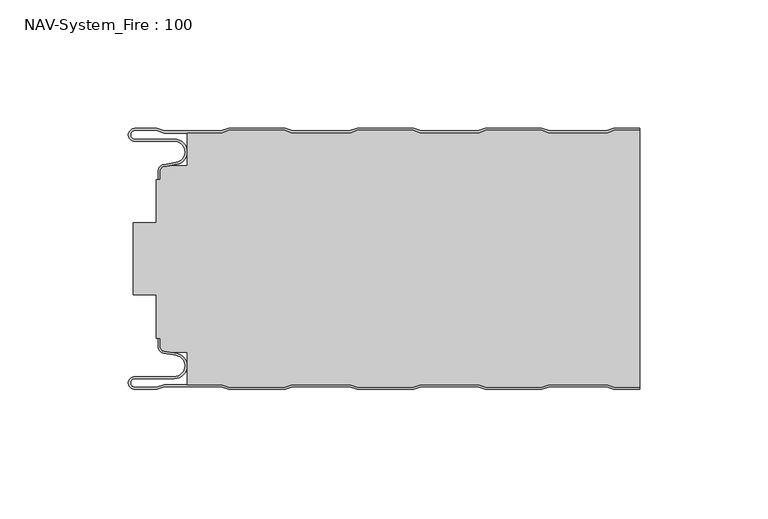
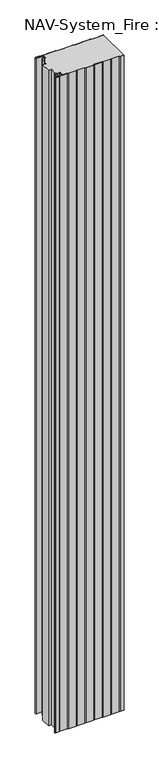
"""IFC4 building model written with IfcOpenShell, lengths in millimetres: plate geometry, NAV-System_Fire : 100."""

from ifc_helpers import new_model, si_unit, point, frame, frame_2d, origin, origin_with_axes, place, context, project, spatial, polyline, circle_curve, trimmed, segment, composite_curve, outline, extrude, source, transform, mapped, element, save
from ifc_brep_helpers import plane_surface, cylinder_surface, revolved_surface, advanced_brep


def nav_system_fire_100_97324878(model_context):
    return source(origin(), model_context, "Body", "SolidModel", [
        extrude(outline(composite_curve([segment(polyline([(89.6298221, -100.8), (86.6298221, -99.8), (64.3701779, -99.8), (61.3701779, -100.8), (39.6298221, -100.8), (36.6298221, -99.8), (14.3701779, -99.8), (11.3701779, -100.8), (-10.3701779, -100.8), (-13.3701779, -99.8), (-35.6298221, -99.8), (-38.6298221, -100.8), (-60.3701779, -100.8), (-63.3701779, -99.8), (-76.6602086, -99.8), (-76.6602086, -87.1656781), (-83.1774762, -87.1656781), (-85.6125665, -86.7363058)]), True, "CONTINUOUS"), segment(trimmed(circle_curve(frame_2d((-85.2999995, -84.963651)), 1.8000009), [point((-85.6125665, -86.7363058))], [point((-87.1000004, -84.963651))], False, "CARTESIAN"), True, "CONTINUOUS"), segment(polyline([(-87.1000004, -84.963651), (-87.1000004, -81.6488001), (-88.6500495, -81.6488001), (-88.6500495, -64.8), (-97.6527105, -64.8), (-97.6527105, -36.8), (-88.6502227, -36.8), (-88.6502227, -19.9512003), (-87.1000004, -19.9512003), (-87.1000004, -16.6387681)]), True, "CONTINUOUS"), segment(trimmed(circle_curve(frame_2d((-85.2999995, -16.6387681)), 1.8000009), [point((-87.1000004, -16.6387681))], [point((-85.6125665, -14.8661133))], False, "CARTESIAN"), True, "CONTINUOUS"), segment(polyline([(-85.6125665, -14.8661133), (-83.1774762, -14.436741), (-76.6602086, -14.436741), (-76.6602086, -1.8), (-63.3701779, -1.8), (-60.3701779, -0.8), (-38.6298221, -0.8), (-35.6298221, -1.8), (-13.3701779, -1.8), (-10.3701779, -0.8), (11.3701779, -0.8), (14.3701779, -1.8), (36.6298221, -1.8), (39.6298221, -0.8), (61.3701779, -0.8), (64.3701779, -1.8), (86.6298221, -1.8), (89.6298221, -0.8), (99.5, -0.8), (99.5, -100.8), (89.6298221, -100.8)]), True, "CONTINUOUS")], self_intersect=False)), origin_with_axes(), (0.0, 0.0, 1.0), 2000.0),
        advanced_brep(
        [(-88.6298221, -0.8, 0.0), (-97.0000001, -0.8, 0.0), (-97.0000001, -4.1999999, 0.0), (-81.6002086, -4.1999999, 0.0), (-80.7423864, -14.0049502, 0.0), (-85.6125665, -14.8636946, 0.0), (-87.1000004, -16.6363494, 0.0), (-87.1000014, -19.9421291, 0.0), (-87.9000014, -19.9421291, 0.0), (-87.9000014, -16.6363484, 0.0), (-85.7514853, -14.0758488, 0.0), (-80.8813015, -13.217104, 0.0), (-81.600205, -4.9999999, 0.0), (-97.0000001, -4.9999999, 0.0), (-97.0000001, 0.0, 0.0), (-88.5, 0.0, 0.0), (-85.5, -1.0, 0.0), (-63.5, -1.0, 0.0), (-60.5, 0.0, 0.0), (-38.5, 0.0, 0.0), (-35.5, -1.0, 0.0), (-13.5, -1.0, 0.0), (-10.5, 0.0, 0.0), (11.5, 0.0, 0.0), (14.5, -1.0, 0.0), (36.5, -1.0, 0.0), (39.5, 0.0, 0.0), (61.5, 0.0, 0.0), (64.5, -1.0, 0.0), (86.5, -1.0, 0.0), (89.5, 0.0, 0.0), (99.5, 0.0, 0.0), (99.5, -0.8, 0.0), (89.6298221, -0.8, 0.0), (86.6298221, -1.8, 0.0), (64.3701779, -1.8, 0.0), (61.3701779, -0.8, 0.0), (39.6298221, -0.8, 0.0), (36.6298221, -1.8, 0.0), (14.3701779, -1.8, 0.0), (11.3701779, -0.8, 0.0), (-10.3701779, -0.8, 0.0), (-13.3701779, -1.8, 0.0), (-35.6298221, -1.8, 0.0), (-38.6298221, -0.8, 0.0), (-60.3701779, -0.8, 0.0), (-63.3701779, -1.8, 0.0), (-85.6298221, -1.8, 0.0), (-88.6298221, -0.8, 2000.0), (-85.6298221, -1.8, 2000.0), (-63.3701779, -1.8, 2000.0), (-60.3701779, -0.8, 2000.0), (-38.6298221, -0.8, 2000.0), (-35.6298221, -1.8, 2000.0), (-13.3701779, -1.8, 2000.0), (-10.3701779, -0.8, 2000.0), (11.3701779, -0.8, 2000.0), (14.3701779, -1.8, 2000.0), (36.6298221, -1.8, 2000.0), (39.6298221, -0.8, 2000.0), (61.3701779, -0.8, 2000.0), (64.3701779, -1.8, 2000.0), (86.6298221, -1.8, 2000.0), (89.6298221, -0.8, 2000.0), (99.5, -0.8, 2000.0), (99.5, 0.0, 2000.0), (89.5, 0.0, 2000.0), (86.5, -1.0, 2000.0), (64.5, -1.0, 2000.0), (61.5, 0.0, 2000.0), (39.5, 0.0, 2000.0), (36.5, -1.0, 2000.0), (14.5, -1.0, 2000.0), (11.5, 0.0, 2000.0), (-10.5, 0.0, 2000.0), (-13.5, -1.0, 2000.0), (-35.5, -1.0, 2000.0), (-38.5, 0.0, 2000.0), (-60.5, 0.0, 2000.0), (-63.5, -1.0, 2000.0), (-85.5, -1.0, 2000.0), (-88.5, 0.0, 2000.0), (-97.0000001, 0.0, 2000.0), (-97.0000001, -4.9999999, 2000.0), (-81.600205, -4.9999999, 2000.0), (-80.8813015, -13.217104, 2000.0), (-85.7514853, -14.0758488, 2000.0), (-87.8999997, -16.6363484, 2000.0), (-87.9000014, -19.9421291, 2000.0), (-87.1000014, -19.9421291, 2000.0), (-87.1000014, -16.6363494, 2000.0), (-85.6125665, -14.8636946, 2000.0), (-80.7423864, -14.0049502, 2000.0), (-81.6002086, -4.1999999, 2000.0), (-97.0000001, -4.1999999, 2000.0), (-97.0000001, -0.8000002, 2000.0)],
        [
            (0, 1),
            (1, 2, circle_curve(frame((-97.0000001, -2.5, 0.0), z_axis=(0.0, 0.0, 1.0), x_axis=(1.0, 0.0, 0.0)), 1.6999999)),
            (2, 3),
            (3, 4, circle_curve(frame((-81.6002086, -9.1399999, 0.0), z_axis=(0.0, 0.0, -1.0), x_axis=(1.0, 0.0, 0.0)), 4.94)),
            (4, 5),
            (5, 6, circle_curve(frame((-85.2999995, -16.6363494, 0.0), z_axis=(0.0, 0.0, 1.0), x_axis=(1.0, 0.0, 0.0)), 1.8000009)),
            (6, 7),
            (7, 8),
            (8, 9),
            (9, 10, circle_curve(frame((-85.3000002, -16.6363484, 0.0), z_axis=(0.0, 0.0, -1.0), x_axis=(1.0, 0.0, 0.0)), 2.5999995)),
            (10, 11),
            (11, 12, circle_curve(frame((-81.600205, -9.1399999, 0.0), z_axis=(0.0, 0.0, 1.0), x_axis=(1.0, 0.0, 0.0)), 4.14)),
            (12, 13),
            (13, 14, circle_curve(frame((-97.0000001, -2.4999999, 0.0), z_axis=(0.0, 0.0, -1.0), x_axis=(1.0, 0.0, 0.0)), 2.4999999)),
            (14, 15),
            (15, 16),
            (16, 17),
            (17, 18),
            (18, 19),
            (19, 20),
            (20, 21),
            (21, 22),
            (22, 23),
            (23, 24),
            (24, 25),
            (25, 26),
            (26, 27),
            (27, 28),
            (28, 29),
            (29, 30),
            (30, 31),
            (31, 32),
            (32, 33),
            (33, 34),
            (34, 35),
            (35, 36),
            (36, 37),
            (37, 38),
            (38, 39),
            (39, 40),
            (40, 41),
            (41, 42),
            (42, 43),
            (43, 44),
            (44, 45),
            (45, 46),
            (46, 47),
            (47, 0),
            (48, 49),
            (49, 50),
            (50, 51),
            (51, 52),
            (52, 53),
            (53, 54),
            (54, 55),
            (55, 56),
            (56, 57),
            (57, 58),
            (58, 59),
            (59, 60),
            (60, 61),
            (61, 62),
            (62, 63),
            (63, 64),
            (64, 65),
            (65, 66),
            (66, 67),
            (67, 68),
            (68, 69),
            (69, 70),
            (70, 71),
            (71, 72),
            (72, 73),
            (73, 74),
            (74, 75),
            (75, 76),
            (76, 77),
            (77, 78),
            (78, 79),
            (79, 80),
            (80, 81),
            (81, 82),
            (82, 83, circle_curve(frame((-97.0000001, -2.4999999, 2000.0), z_axis=(0.0, 0.0, 1.0), x_axis=(1.0, 0.0, 0.0)), 2.4999999)),
            (83, 84),
            (84, 85, circle_curve(frame((-81.600205, -9.1399999, 2000.0), z_axis=(0.0, 0.0, -1.0), x_axis=(1.0, 0.0, 0.0)), 4.14)),
            (85, 86),
            (86, 87, circle_curve(frame((-85.3000002, -16.6363484, 2000.0), z_axis=(0.0, 0.0, 1.0), x_axis=(1.0, 0.0, 0.0)), 2.5999995)),
            (87, 88),
            (88, 89),
            (89, 90),
            (90, 91, circle_curve(frame((-85.2999995, -16.6363494, 2000.0), z_axis=(0.0, 0.0, -1.0), x_axis=(1.0, 0.0, 0.0)), 1.8000009)),
            (91, 92),
            (92, 93, circle_curve(frame((-81.6002086, -9.1399999, 2000.0), z_axis=(0.0, 0.0, 1.0), x_axis=(1.0, 0.0, 0.0)), 4.94)),
            (93, 94),
            (94, 95, circle_curve(frame((-97.0000001, -2.5, 2000.0), z_axis=(0.0, 0.0, -1.0), x_axis=(1.0, 0.0, 0.0)), 1.6999999)),
            (95, 48),
            (0, 48),
            (95, 1),
            (14, 82),
            (81, 15),
            (63, 33),
            (32, 64),
            (62, 34),
            (61, 35),
            (60, 36),
            (59, 37),
            (58, 38),
            (57, 39),
            (56, 40),
            (55, 41),
            (54, 42),
            (53, 43),
            (52, 44),
            (51, 45),
            (50, 46),
            (49, 47),
            (80, 16),
            (79, 17),
            (78, 18),
            (77, 19),
            (76, 20),
            (75, 21),
            (74, 22),
            (73, 23),
            (72, 24),
            (71, 25),
            (70, 26),
            (69, 27),
            (68, 28),
            (67, 29),
            (66, 30),
            (65, 31),
            (2, 94),
            (93, 3),
            (6, 90),
            (89, 7),
            (88, 8),
            (87, 9),
            (12, 84),
            (83, 13),
            (92, 4),
            (91, 5),
            (86, 10),
            (85, 11),
        ],
        [
            plane_surface(frame((-99.5, 0.0, 0.0), z_axis=(0.0, 0.0, -1.0), x_axis=(0.0, -1.0, 0.0))),
            plane_surface(frame((-99.5, 0.0, 2000.0), z_axis=(0.0, 0.0, 1.0), x_axis=(0.0, -1.0, 0.0))),
            plane_surface(frame((-88.6298221, -0.8, 0.0), z_axis=(0.0, -1.0, 0.0), x_axis=(0.0, 0.0, 1.0))),
            plane_surface(frame((-97.0000001, 0.0, 0.0), z_axis=(0.0, 1.0, 0.0), x_axis=(0.0, 0.0, 1.0))),
            plane_surface(frame((111.3701779, -0.8, 0.0), z_axis=(0.0, -1.0, 0.0), x_axis=(0.0, 0.0, 1.0))),
            plane_surface(frame((89.6298221, -0.8, 0.0), z_axis=(0.3162277660167413, -0.9486832980505461, 0.0), x_axis=(0.0, 0.0, 1.0))),
            plane_surface(frame((86.6298221, -1.8, 0.0), z_axis=(0.0, -1.0, 0.0), x_axis=(0.0, 0.0, 1.0))),
            plane_surface(frame((64.3701779, -1.8, 0.0), z_axis=(-0.31622776601675356, -0.948683298050542, 0.0), x_axis=(0.0, 0.0, 1.0))),
            plane_surface(frame((61.3701779, -0.8, 0.0), z_axis=(0.0, -1.0, 0.0), x_axis=(0.0, 0.0, 1.0))),
            plane_surface(frame((39.6298221, -0.8, 0.0), z_axis=(0.31622776601679226, -0.9486832980505291, 0.0), x_axis=(0.0, 0.0, 1.0))),
            plane_surface(frame((36.6298221, -1.8, 0.0), z_axis=(0.0, -1.0, 0.0), x_axis=(0.0, 0.0, 1.0))),
            plane_surface(frame((14.3701779, -1.8, 0.0), z_axis=(-0.3162277660168045, -0.948683298050525, 0.0), x_axis=(0.0, 0.0, 1.0))),
            plane_surface(frame((11.3701779, -0.8, 0.0), z_axis=(0.0, -1.0, 0.0), x_axis=(0.0, 0.0, 1.0))),
            plane_surface(frame((-10.3701779, -0.8, 0.0), z_axis=(0.31622776601679226, -0.9486832980505291, 0.0), x_axis=(0.0, 0.0, 1.0))),
            plane_surface(frame((-13.3701779, -1.8, 0.0), z_axis=(0.0, -1.0, 0.0), x_axis=(0.0, 0.0, 1.0))),
            plane_surface(frame((-35.6298221, -1.8, 0.0), z_axis=(-0.3162277660168045, -0.948683298050525, 0.0), x_axis=(0.0, 0.0, 1.0))),
            plane_surface(frame((-38.6298221, -0.8, 0.0), z_axis=(0.0, -1.0, 0.0), x_axis=(0.0, 0.0, 1.0))),
            plane_surface(frame((-60.3701779, -0.8, 0.0), z_axis=(0.3162277660167413, -0.9486832980505461, 0.0), x_axis=(0.0, 0.0, 1.0))),
            plane_surface(frame((-63.3701779, -1.8, 0.0), z_axis=(0.0, -1.0, 0.0), x_axis=(0.0, 0.0, 1.0))),
            plane_surface(frame((-85.6298221, -1.8, 0.0), z_axis=(-0.3162277660167413, -0.9486832980505461, 0.0), x_axis=(0.0, 0.0, 1.0))),
            plane_surface(frame((-88.5, 0.0, 0.0), z_axis=(0.31622776601671865, 0.9486832980505536, 0.0), x_axis=(0.0, 0.0, 1.0))),
            plane_surface(frame((-85.5, -1.0, 0.0), z_axis=(0.0, 1.0, 0.0), x_axis=(0.0, 0.0, 1.0))),
            plane_surface(frame((-63.5, -1.0, 0.0), z_axis=(-0.31622776601671865, 0.9486832980505536, 0.0), x_axis=(0.0, 0.0, 1.0))),
            plane_surface(frame((-60.5, 0.0, 0.0), z_axis=(0.0, 1.0, 0.0), x_axis=(0.0, 0.0, 1.0))),
            plane_surface(frame((-38.5, 0.0, 0.0), z_axis=(0.31622776601678754, 0.9486832980505306, 0.0), x_axis=(0.0, 0.0, 1.0))),
            plane_surface(frame((-35.5, -1.0, 0.0), z_axis=(0.0, 1.0, 0.0), x_axis=(0.0, 0.0, 1.0))),
            plane_surface(frame((-13.5, -1.0, 0.0), z_axis=(-0.3162277660167752, 0.9486832980505348, 0.0), x_axis=(0.0, 0.0, 1.0))),
            plane_surface(frame((-10.5, 0.0, 0.0), z_axis=(0.0, 1.0, 0.0), x_axis=(0.0, 0.0, 1.0))),
            plane_surface(frame((11.5, 0.0, 0.0), z_axis=(0.31622776601678754, 0.9486832980505306, 0.0), x_axis=(0.0, 0.0, 1.0))),
            plane_surface(frame((14.5, -1.0, 0.0), z_axis=(0.0, 1.0, 0.0), x_axis=(0.0, 0.0, 1.0))),
            plane_surface(frame((36.5, -1.0, 0.0), z_axis=(-0.3162277660167752, 0.9486832980505348, 0.0), x_axis=(0.0, 0.0, 1.0))),
            plane_surface(frame((39.5, 0.0, 0.0), z_axis=(0.0, 1.0, 0.0), x_axis=(0.0, 0.0, 1.0))),
            plane_surface(frame((61.5, 0.0, 0.0), z_axis=(0.3162277660167309, 0.9486832980505495, 0.0), x_axis=(0.0, 0.0, 1.0))),
            plane_surface(frame((64.5, -1.0, 0.0), z_axis=(0.0, 1.0, 0.0), x_axis=(0.0, 0.0, 1.0))),
            plane_surface(frame((86.5, -1.0, 0.0), z_axis=(-0.31622776601671865, 0.9486832980505536, 0.0), x_axis=(0.0, 0.0, 1.0))),
            plane_surface(frame((89.5, 0.0, 0.0), z_axis=(0.0, 1.0, 0.0), x_axis=(0.0, 0.0, 1.0))),
            plane_surface(frame((-97.0000001, -4.1999999, 0.0), z_axis=(0.0, 1.0, 0.0), x_axis=(0.0, 0.0, 1.0))),
            plane_surface(frame((-87.1000014, -16.6363494, 0.0), z_axis=(1.0, 0.0, 0.0), x_axis=(0.0, 0.0, 1.0))),
            plane_surface(frame((-87.1000014, -19.9421291, 0.0), z_axis=(0.0, -1.0, 0.0), x_axis=(0.0, 0.0, 1.0))),
            plane_surface(frame((-87.9000014, -19.9421291, 0.0), z_axis=(-1.0, 0.0, 0.0), x_axis=(0.0, 0.0, 1.0))),
            plane_surface(frame((-81.600205, -4.9999999, 0.0), z_axis=(0.0, -1.0, 0.0), x_axis=(0.0, 0.0, 1.0))),
            revolved_surface(polyline([(-95.3000002, -2.5, 2000.0), (-95.3000002, -2.5, 0.0)]), (-97.0000001, -2.5, 0.0), (0.0, 0.0, 1.0)),
            cylinder_surface(frame((-81.6002086, -9.1399999, 0.0), z_axis=(0.0, 0.0, -1.0), x_axis=(1.0, 0.0, 0.0)), 4.94),
            plane_surface(frame((-80.7423864, -14.0049502, 0.0), z_axis=(0.17364822279076972, -0.9848077450556567, 0.0), x_axis=(0.0, 0.0, 1.0))),
            revolved_surface(polyline([(-83.4999986, -16.6363494, 2000.0), (-83.4999986, -16.6363494, 0.0)]), (-85.2999995, -16.6363494, 0.0), (0.0, 0.0, 1.0)),
            cylinder_surface(frame((-85.3000002, -16.6363484, 0.0), z_axis=(0.0, 0.0, -1.0), x_axis=(1.0, 0.0, 0.0)), 2.5999995),
            plane_surface(frame((-85.7514853, -14.0758488, 0.0), z_axis=(-0.17364817295915452, 0.984807753842316, 0.0), x_axis=(0.0, 0.0, 1.0))),
            revolved_surface(polyline([(-77.460205, -9.1399999, 2000.0), (-77.460205, -9.1399999, 0.0)]), (-81.600205, -9.1399999, 0.0), (0.0, 0.0, 1.0)),
            cylinder_surface(frame((-97.0000001, -2.4999999, 0.0), z_axis=(0.0, 0.0, -1.0), x_axis=(1.0, 0.0, 0.0)), 2.4999999),
            plane_surface(frame((99.5, 100.0, 2000.0), z_axis=(1.0, 0.0, 0.0), x_axis=(0.0, 0.0, -1.0))),
        ],
        [
            (0, [[1, 2, 3, 4, 5, 6, 7, 8, 9, 10, 11, 12, 13, 14, 15, 16, 17, 18, 19, 20, 21, 22, 23, 24, 25, 26, 27, 28, 29, 30, 31, 32, 33, 34, 35, 36, 37, 38, 39, 40, 41, 42, 43, 44, 45, 46, 47, 48]]),
            (1, [[49, 50, 51, 52, 53, 54, 55, 56, 57, 58, 59, 60, 61, 62, 63, 64, 65, 66, 67, 68, 69, 70, 71, 72, 73, 74, 75, 76, 77, 78, 79, 80, 81, 82, 83, 84, 85, 86, 87, 88, 89, 90, 91, 92, 93, 94, 95, 96]]),
            (2, [[-1, 97, -96, 98]]),
            (3, [[-15, 99, -82, 100]]),
            (4, [[101, -33, 102, -64]]),
            (5, [[-34, -101, -63, 103]]),
            (6, [[-35, -103, -62, 104]]),
            (7, [[-36, -104, -61, 105]]),
            (8, [[-37, -105, -60, 106]]),
            (9, [[-38, -106, -59, 107]]),
            (10, [[-39, -107, -58, 108]]),
            (11, [[-40, -108, -57, 109]]),
            (12, [[-41, -109, -56, 110]]),
            (13, [[-42, -110, -55, 111]]),
            (14, [[-43, -111, -54, 112]]),
            (15, [[-44, -112, -53, 113]]),
            (16, [[-45, -113, -52, 114]]),
            (17, [[-46, -114, -51, 115]]),
            (18, [[-47, -115, -50, 116]]),
            (19, [[-48, -116, -49, -97]]),
            (20, [[-16, -100, -81, 117]]),
            (21, [[-17, -117, -80, 118]]),
            (22, [[-18, -118, -79, 119]]),
            (23, [[-19, -119, -78, 120]]),
            (24, [[-20, -120, -77, 121]]),
            (25, [[-21, -121, -76, 122]]),
            (26, [[-22, -122, -75, 123]]),
            (27, [[-23, -123, -74, 124]]),
            (28, [[-24, -124, -73, 125]]),
            (29, [[-25, -125, -72, 126]]),
            (30, [[-26, -126, -71, 127]]),
            (31, [[-27, -127, -70, 128]]),
            (32, [[-28, -128, -69, 129]]),
            (33, [[-29, -129, -68, 130]]),
            (34, [[-30, -130, -67, 131]]),
            (35, [[-131, -66, 132, -31]]),
            (36, [[-3, 133, -94, 134]]),
            (37, [[-7, 135, -90, 136]]),
            (38, [[-8, -136, -89, 137]]),
            (39, [[-9, -137, -88, 138]]),
            (40, [[-13, 139, -84, 140]]),
            (41, [[-2, -98, -95, -133]]),
            (42, [[-4, -134, -93, 141]]),
            (43, [[-5, -141, -92, 142]]),
            (44, [[-6, -142, -91, -135]]),
            (45, [[-10, -138, -87, 143]]),
            (46, [[-11, -143, -86, 144]]),
            (47, [[-12, -144, -85, -139]]),
            (48, [[-14, -140, -83, -99]]),
            (49, [[-32, -132, -65, -102]]),
        ],
    ),
        advanced_brep(
        [(-88.6298221, -100.8, 2000.0), (-97.0000001, -100.8, 2000.0), (-97.0000001, -97.4000001, 2000.0), (-81.6002086, -97.4000001, 2000.0), (-80.7423864, -87.5950498, 2000.0), (-85.6125665, -86.7363054, 2000.0), (-87.1000004, -84.9636506, 2000.0), (-87.1000014, -81.6578709, 2000.0), (-87.9000014, -81.6578709, 2000.0), (-87.9000014, -84.9636516, 2000.0), (-85.7514853, -87.5241512, 2000.0), (-80.8813015, -88.382896, 2000.0), (-81.600205, -96.6000001, 2000.0), (-97.0000001, -96.6000001, 2000.0), (-97.0000001, -101.6, 2000.0), (-88.5, -101.6, 2000.0), (-85.5, -100.6, 2000.0), (-63.5, -100.6, 2000.0), (-60.5, -101.6, 2000.0), (-38.5, -101.6, 2000.0), (-35.5, -100.6, 2000.0), (-13.5, -100.6, 2000.0), (-10.5, -101.6, 2000.0), (11.5, -101.6, 2000.0), (14.5, -100.6, 2000.0), (36.5, -100.6, 2000.0), (39.5, -101.6, 2000.0), (61.5, -101.6, 2000.0), (64.5, -100.6, 2000.0), (86.5, -100.6, 2000.0), (89.5, -101.6, 2000.0), (99.5, -101.6, 2000.0), (99.5, -100.8, 2000.0), (89.6298221, -100.8, 2000.0), (86.6298221, -99.8, 2000.0), (64.3701779, -99.8, 2000.0), (61.3701779, -100.8, 2000.0), (39.6298221, -100.8, 2000.0), (36.6298221, -99.8, 2000.0), (14.3701779, -99.8, 2000.0), (11.3701779, -100.8, 2000.0), (-10.3701779, -100.8, 2000.0), (-13.3701779, -99.8, 2000.0), (-35.6298221, -99.8, 2000.0), (-38.6298221, -100.8, 2000.0), (-60.3701779, -100.8, 2000.0), (-63.3701779, -99.8, 2000.0), (-85.6298221, -99.8, 2000.0), (-88.6298221, -100.8, 0.0), (-85.6298221, -99.8, 0.0), (-63.3701779, -99.8, 0.0), (-60.3701779, -100.8, 0.0), (-38.6298221, -100.8, 0.0), (-35.6298221, -99.8, 0.0), (-13.3701779, -99.8, 0.0), (-10.3701779, -100.8, 0.0), (11.3701779, -100.8, 0.0), (14.3701779, -99.8, 0.0), (36.6298221, -99.8, 0.0), (39.6298221, -100.8, 0.0), (61.3701779, -100.8, 0.0), (64.3701779, -99.8, 0.0), (86.6298221, -99.8, 0.0), (89.6298221, -100.8, 0.0), (99.5, -100.8, 0.0), (99.5, -101.6, 0.0), (89.5, -101.6, 0.0), (86.5, -100.6, 0.0), (64.5, -100.6, 0.0), (61.5, -101.6, 0.0), (39.5, -101.6, 0.0), (36.5, -100.6, 0.0), (14.5, -100.6, 0.0), (11.5, -101.6, 0.0), (-10.5, -101.6, 0.0), (-13.5, -100.6, 0.0), (-35.5, -100.6, 0.0), (-38.5, -101.6, 0.0), (-60.5, -101.6, 0.0), (-63.5, -100.6, 0.0), (-85.5, -100.6, 0.0), (-88.5, -101.6, 0.0), (-97.0000001, -101.6, 0.0), (-97.0000001, -96.6000001, 0.0), (-81.600205, -96.6000001, 0.0), (-80.8813015, -88.382896, 0.0), (-85.7514853, -87.5241512, 0.0), (-87.8999997, -84.9636516, 0.0), (-87.9000014, -81.6578709, 0.0), (-87.1000014, -81.6578709, 0.0), (-87.1000014, -84.9636506, 0.0), (-85.6125665, -86.7363054, 0.0), (-80.7423864, -87.5950498, 0.0), (-81.6002086, -97.4000001, 0.0), (-97.0000001, -97.4000001, 0.0), (-97.0000001, -100.7999998, 0.0)],
        [
            (0, 1),
            (1, 2, circle_curve(frame((-97.0000001, -99.1, 2000.0), z_axis=(0.0, 0.0, -1.0), x_axis=(1.0, 0.0, 0.0)), 1.6999999)),
            (2, 3),
            (3, 4, circle_curve(frame((-81.6002086, -92.4600001, 2000.0), z_axis=(0.0, 0.0, 1.0), x_axis=(1.0, 0.0, 0.0)), 4.94)),
            (4, 5),
            (5, 6, circle_curve(frame((-85.2999995, -84.9636506, 2000.0), z_axis=(0.0, 0.0, -1.0), x_axis=(1.0, 0.0, 0.0)), 1.8000009)),
            (6, 7),
            (7, 8),
            (8, 9),
            (9, 10, circle_curve(frame((-85.3000002, -84.9636516, 2000.0), z_axis=(0.0, 0.0, 1.0), x_axis=(1.0, 0.0, 0.0)), 2.5999995)),
            (10, 11),
            (11, 12, circle_curve(frame((-81.600205, -92.4600001, 2000.0), z_axis=(0.0, 0.0, -1.0), x_axis=(1.0, 0.0, 0.0)), 4.14)),
            (12, 13),
            (13, 14, circle_curve(frame((-97.0000001, -99.1000001, 2000.0), z_axis=(0.0, 0.0, 1.0), x_axis=(1.0, 0.0, 0.0)), 2.4999999)),
            (14, 15),
            (15, 16),
            (16, 17),
            (17, 18),
            (18, 19),
            (19, 20),
            (20, 21),
            (21, 22),
            (22, 23),
            (23, 24),
            (24, 25),
            (25, 26),
            (26, 27),
            (27, 28),
            (28, 29),
            (29, 30),
            (30, 31),
            (31, 32),
            (32, 33),
            (33, 34),
            (34, 35),
            (35, 36),
            (36, 37),
            (37, 38),
            (38, 39),
            (39, 40),
            (40, 41),
            (41, 42),
            (42, 43),
            (43, 44),
            (44, 45),
            (45, 46),
            (46, 47),
            (47, 0),
            (48, 49),
            (49, 50),
            (50, 51),
            (51, 52),
            (52, 53),
            (53, 54),
            (54, 55),
            (55, 56),
            (56, 57),
            (57, 58),
            (58, 59),
            (59, 60),
            (60, 61),
            (61, 62),
            (62, 63),
            (63, 64),
            (64, 65),
            (65, 66),
            (66, 67),
            (67, 68),
            (68, 69),
            (69, 70),
            (70, 71),
            (71, 72),
            (72, 73),
            (73, 74),
            (74, 75),
            (75, 76),
            (76, 77),
            (77, 78),
            (78, 79),
            (79, 80),
            (80, 81),
            (81, 82),
            (82, 83, circle_curve(frame((-97.0000001, -99.1000001, 0.0), z_axis=(0.0, 0.0, -1.0), x_axis=(1.0, 0.0, 0.0)), 2.4999999)),
            (83, 84),
            (84, 85, circle_curve(frame((-81.600205, -92.4600001, 0.0), z_axis=(0.0, 0.0, 1.0), x_axis=(1.0, 0.0, 0.0)), 4.14)),
            (85, 86),
            (86, 87, circle_curve(frame((-85.3000002, -84.9636516, 0.0), z_axis=(0.0, 0.0, -1.0), x_axis=(1.0, 0.0, 0.0)), 2.5999995)),
            (87, 88),
            (88, 89),
            (89, 90),
            (90, 91, circle_curve(frame((-85.2999995, -84.9636506, 0.0), z_axis=(0.0, 0.0, 1.0), x_axis=(1.0, 0.0, 0.0)), 1.8000009)),
            (91, 92),
            (92, 93, circle_curve(frame((-81.6002086, -92.4600001, 0.0), z_axis=(0.0, 0.0, -1.0), x_axis=(1.0, 0.0, 0.0)), 4.94)),
            (93, 94),
            (94, 95, circle_curve(frame((-97.0000001, -99.1, 0.0), z_axis=(0.0, 0.0, 1.0), x_axis=(1.0, 0.0, 0.0)), 1.6999999)),
            (95, 48),
            (14, 82),
            (81, 15),
            (0, 48),
            (95, 1),
            (63, 33),
            (32, 64),
            (62, 34),
            (61, 35),
            (60, 36),
            (59, 37),
            (58, 38),
            (57, 39),
            (56, 40),
            (55, 41),
            (54, 42),
            (53, 43),
            (52, 44),
            (51, 45),
            (50, 46),
            (49, 47),
            (80, 16),
            (79, 17),
            (78, 18),
            (77, 19),
            (76, 20),
            (75, 21),
            (74, 22),
            (73, 23),
            (72, 24),
            (71, 25),
            (70, 26),
            (69, 27),
            (68, 28),
            (67, 29),
            (66, 30),
            (65, 31),
            (2, 94),
            (93, 3),
            (6, 90),
            (89, 7),
            (88, 8),
            (87, 9),
            (12, 84),
            (83, 13),
            (92, 4),
            (91, 5),
            (86, 10),
            (85, 11),
        ],
        [
            plane_surface(frame((-99.5, -101.6, 2000.0), z_axis=(0.0, 0.0, 1.0), x_axis=(-1.0, 0.0, 0.0))),
            plane_surface(frame((-99.5, -101.6, 0.0), z_axis=(0.0, 0.0, -1.0), x_axis=(-1.0, 0.0, 0.0))),
            plane_surface(frame((-97.0000001, -101.6, 2000.0), z_axis=(0.0, -1.0, 0.0), x_axis=(0.0, 0.0, -1.0))),
            plane_surface(frame((-88.6298221, -100.8, 2000.0), z_axis=(0.0, 1.0, 0.0), x_axis=(0.0, 0.0, -1.0))),
            plane_surface(frame((111.3701779, -100.8, 2000.0), z_axis=(0.0, 1.0, 0.0), x_axis=(0.0, 0.0, -1.0))),
            plane_surface(frame((89.6298221, -100.8, 2000.0), z_axis=(0.3162277660167412, 0.9486832980505461, 0.0), x_axis=(0.0, 0.0, -1.0))),
            plane_surface(frame((86.6298221, -99.8, 2000.0), z_axis=(0.0, 1.0, 0.0), x_axis=(0.0, 0.0, -1.0))),
            plane_surface(frame((64.3701779, -99.8, 2000.0), z_axis=(-0.3162277660167537, 0.948683298050542, 0.0), x_axis=(0.0, 0.0, -1.0))),
            plane_surface(frame((61.3701779, -100.8, 2000.0), z_axis=(0.0, 1.0, 0.0), x_axis=(0.0, 0.0, -1.0))),
            plane_surface(frame((39.6298221, -100.8, 2000.0), z_axis=(0.31622776601679214, 0.9486832980505291, 0.0), x_axis=(0.0, 0.0, -1.0))),
            plane_surface(frame((36.6298221, -99.8, 2000.0), z_axis=(0.0, 1.0, 0.0), x_axis=(0.0, 0.0, -1.0))),
            plane_surface(frame((14.3701779, -99.8, 2000.0), z_axis=(-0.31622776601680463, 0.948683298050525, 0.0), x_axis=(0.0, 0.0, -1.0))),
            plane_surface(frame((11.3701779, -100.8, 2000.0), z_axis=(0.0, 1.0, 0.0), x_axis=(0.0, 0.0, -1.0))),
            plane_surface(frame((-10.3701779, -100.8, 2000.0), z_axis=(0.31622776601679214, 0.9486832980505291, 0.0), x_axis=(0.0, 0.0, -1.0))),
            plane_surface(frame((-13.3701779, -99.8, 2000.0), z_axis=(0.0, 1.0, 0.0), x_axis=(0.0, 0.0, -1.0))),
            plane_surface(frame((-35.6298221, -99.8, 2000.0), z_axis=(-0.31622776601680463, 0.948683298050525, 0.0), x_axis=(0.0, 0.0, -1.0))),
            plane_surface(frame((-38.6298221, -100.8, 2000.0), z_axis=(0.0, 1.0, 0.0), x_axis=(0.0, 0.0, -1.0))),
            plane_surface(frame((-60.3701779, -100.8, 2000.0), z_axis=(0.3162277660167412, 0.9486832980505461, 0.0), x_axis=(0.0, 0.0, -1.0))),
            plane_surface(frame((-63.3701779, -99.8, 2000.0), z_axis=(0.0, 1.0, 0.0), x_axis=(0.0, 0.0, -1.0))),
            plane_surface(frame((-85.6298221, -99.8, 2000.0), z_axis=(-0.3162277660167414, 0.9486832980505461, 0.0), x_axis=(0.0, 0.0, -1.0))),
            plane_surface(frame((-88.5, -101.6, 2000.0), z_axis=(0.31622776601671876, -0.9486832980505536, 0.0), x_axis=(0.0, 0.0, -1.0))),
            plane_surface(frame((-85.5, -100.6, 2000.0), z_axis=(0.0, -1.0, 0.0), x_axis=(0.0, 0.0, -1.0))),
            plane_surface(frame((-63.5, -100.6, 2000.0), z_axis=(-0.31622776601671854, -0.9486832980505536, 0.0), x_axis=(0.0, 0.0, -1.0))),
            plane_surface(frame((-60.5, -101.6, 2000.0), z_axis=(0.0, -1.0, 0.0), x_axis=(0.0, 0.0, -1.0))),
            plane_surface(frame((-38.5, -101.6, 2000.0), z_axis=(0.31622776601678765, -0.9486832980505306, 0.0), x_axis=(0.0, 0.0, -1.0))),
            plane_surface(frame((-35.5, -100.6, 2000.0), z_axis=(0.0, -1.0, 0.0), x_axis=(0.0, 0.0, -1.0))),
            plane_surface(frame((-13.5, -100.6, 2000.0), z_axis=(-0.3162277660167751, -0.9486832980505348, 0.0), x_axis=(0.0, 0.0, -1.0))),
            plane_surface(frame((-10.5, -101.6, 2000.0), z_axis=(0.0, -1.0, 0.0), x_axis=(0.0, 0.0, -1.0))),
            plane_surface(frame((11.5, -101.6, 2000.0), z_axis=(0.31622776601678765, -0.9486832980505306, 0.0), x_axis=(0.0, 0.0, -1.0))),
            plane_surface(frame((14.5, -100.6, 2000.0), z_axis=(0.0, -1.0, 0.0), x_axis=(0.0, 0.0, -1.0))),
            plane_surface(frame((36.5, -100.6, 2000.0), z_axis=(-0.3162277660167751, -0.9486832980505348, 0.0), x_axis=(0.0, 0.0, -1.0))),
            plane_surface(frame((39.5, -101.6, 2000.0), z_axis=(0.0, -1.0, 0.0), x_axis=(0.0, 0.0, -1.0))),
            plane_surface(frame((61.5, -101.6, 2000.0), z_axis=(0.316227766016731, -0.9486832980505495, 0.0), x_axis=(0.0, 0.0, -1.0))),
            plane_surface(frame((64.5, -100.6, 2000.0), z_axis=(0.0, -1.0, 0.0), x_axis=(0.0, 0.0, -1.0))),
            plane_surface(frame((86.5, -100.6, 2000.0), z_axis=(-0.31622776601671854, -0.9486832980505536, 0.0), x_axis=(0.0, 0.0, -1.0))),
            plane_surface(frame((89.5, -101.6, 2000.0), z_axis=(0.0, -1.0, 0.0), x_axis=(0.0, 0.0, -1.0))),
            plane_surface(frame((-97.0000001, -97.4000001, 2000.0), z_axis=(0.0, -1.0, 0.0), x_axis=(0.0, 0.0, -1.0))),
            plane_surface(frame((-87.1000014, -84.9636506, 2000.0), z_axis=(1.0, 0.0, 0.0), x_axis=(0.0, 0.0, -1.0))),
            plane_surface(frame((-87.1000014, -81.6578709, 2000.0), z_axis=(0.0, 1.0, 0.0), x_axis=(0.0, 0.0, -1.0))),
            plane_surface(frame((-87.9000014, -81.6578709, 2000.0), z_axis=(-1.0, 0.0, 0.0), x_axis=(0.0, 0.0, -1.0))),
            plane_surface(frame((-81.600205, -96.6000001, 2000.0), z_axis=(0.0, 1.0, 0.0), x_axis=(0.0, 0.0, -1.0))),
            revolved_surface(polyline([(-95.3000002, -99.1, 0.0), (-95.3000002, -99.1, 2000.0)]), (-97.0000001, -99.1, 2000.0), (0.0, 0.0, -1.0)),
            cylinder_surface(frame((-81.6002086, -92.4600001, 2000.0), z_axis=(0.0, 0.0, 1.0), x_axis=(1.0, 0.0, 0.0)), 4.94),
            plane_surface(frame((-80.7423864, -87.5950498, 2000.0), z_axis=(0.17364822279076958, 0.9848077450556567, 0.0), x_axis=(0.0, 0.0, -1.0))),
            revolved_surface(polyline([(-83.4999986, -84.9636506, 0.0), (-83.4999986, -84.9636506, 2000.0)]), (-85.2999995, -84.9636506, 2000.0), (0.0, 0.0, -1.0)),
            cylinder_surface(frame((-85.3000002, -84.9636516, 2000.0), z_axis=(0.0, 0.0, 1.0), x_axis=(1.0, 0.0, 0.0)), 2.5999995),
            plane_surface(frame((-85.7514853, -87.5241512, 2000.0), z_axis=(-0.17364817295915438, -0.984807753842316, 0.0), x_axis=(0.0, 0.0, -1.0))),
            revolved_surface(polyline([(-77.460205, -92.4600001, 0.0), (-77.460205, -92.4600001, 2000.0)]), (-81.600205, -92.4600001, 2000.0), (0.0, 0.0, -1.0)),
            cylinder_surface(frame((-97.0000001, -99.1000001, 2000.0), z_axis=(0.0, 0.0, 1.0), x_axis=(1.0, 0.0, 0.0)), 2.4999999),
            plane_surface(frame((99.5, 100.0, 2000.0), z_axis=(1.0, 0.0, 0.0), x_axis=(0.0, 0.0, -1.0))),
        ],
        [
            (0, [[1, 2, 3, 4, 5, 6, 7, 8, 9, 10, 11, 12, 13, 14, 15, 16, 17, 18, 19, 20, 21, 22, 23, 24, 25, 26, 27, 28, 29, 30, 31, 32, 33, 34, 35, 36, 37, 38, 39, 40, 41, 42, 43, 44, 45, 46, 47, 48]]),
            (1, [[49, 50, 51, 52, 53, 54, 55, 56, 57, 58, 59, 60, 61, 62, 63, 64, 65, 66, 67, 68, 69, 70, 71, 72, 73, 74, 75, 76, 77, 78, 79, 80, 81, 82, 83, 84, 85, 86, 87, 88, 89, 90, 91, 92, 93, 94, 95, 96]]),
            (2, [[-15, 97, -82, 98]]),
            (3, [[-1, 99, -96, 100]]),
            (4, [[101, -33, 102, -64]]),
            (5, [[-34, -101, -63, 103]]),
            (6, [[-35, -103, -62, 104]]),
            (7, [[-36, -104, -61, 105]]),
            (8, [[-37, -105, -60, 106]]),
            (9, [[-38, -106, -59, 107]]),
            (10, [[-39, -107, -58, 108]]),
            (11, [[-40, -108, -57, 109]]),
            (12, [[-41, -109, -56, 110]]),
            (13, [[-42, -110, -55, 111]]),
            (14, [[-43, -111, -54, 112]]),
            (15, [[-44, -112, -53, 113]]),
            (16, [[-45, -113, -52, 114]]),
            (17, [[-46, -114, -51, 115]]),
            (18, [[-47, -115, -50, 116]]),
            (19, [[-48, -116, -49, -99]]),
            (20, [[-16, -98, -81, 117]]),
            (21, [[-17, -117, -80, 118]]),
            (22, [[-18, -118, -79, 119]]),
            (23, [[-19, -119, -78, 120]]),
            (24, [[-20, -120, -77, 121]]),
            (25, [[-21, -121, -76, 122]]),
            (26, [[-22, -122, -75, 123]]),
            (27, [[-23, -123, -74, 124]]),
            (28, [[-24, -124, -73, 125]]),
            (29, [[-25, -125, -72, 126]]),
            (30, [[-26, -126, -71, 127]]),
            (31, [[-27, -127, -70, 128]]),
            (32, [[-28, -128, -69, 129]]),
            (33, [[-29, -129, -68, 130]]),
            (34, [[-30, -130, -67, 131]]),
            (35, [[-131, -66, 132, -31]]),
            (36, [[-3, 133, -94, 134]]),
            (37, [[-7, 135, -90, 136]]),
            (38, [[-8, -136, -89, 137]]),
            (39, [[-9, -137, -88, 138]]),
            (40, [[-13, 139, -84, 140]]),
            (41, [[-2, -100, -95, -133]]),
            (42, [[-4, -134, -93, 141]]),
            (43, [[-5, -141, -92, 142]]),
            (44, [[-6, -142, -91, -135]]),
            (45, [[-10, -138, -87, 143]]),
            (46, [[-11, -143, -86, 144]]),
            (47, [[-12, -144, -85, -139]]),
            (48, [[-14, -140, -83, -97]]),
            (49, [[-32, -132, -65, -102]]),
        ],
    ),
    ])


if __name__ == "__main__":
    model = new_model("IFC4")
    model_context = context("Model", 3, world=origin())
    ifc_project = project(units=[si_unit("LENGTHUNIT", "METRE", prefix="MILLI")], contexts=[model_context])
    site = spatial("IfcSite", under=ifc_project)
    building = spatial("IfcBuilding", under=site)
    placement = place(None, origin())
    nav_system_fire_100_shape = nav_system_fire_100_97324878(model_context)
    element("IfcPlate", 1, ObjectType="NAV-System_Fire : 100", at=placement, inside=building, context=model_context, shape_type="MappedRepresentation", body=[
        mapped(nav_system_fire_100_shape, transform((0.0, 0.0, 0.0), x_axis=(1.0, 0.0, 0.0), y_axis=(0.0, 1.0, 0.0), z_axis=(0.0, 0.0, 1.0))),
    ])
    save(model, "model.ifc")
